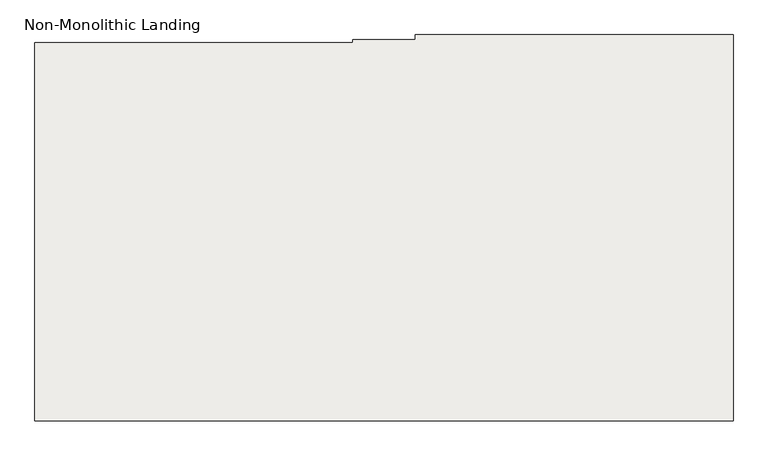
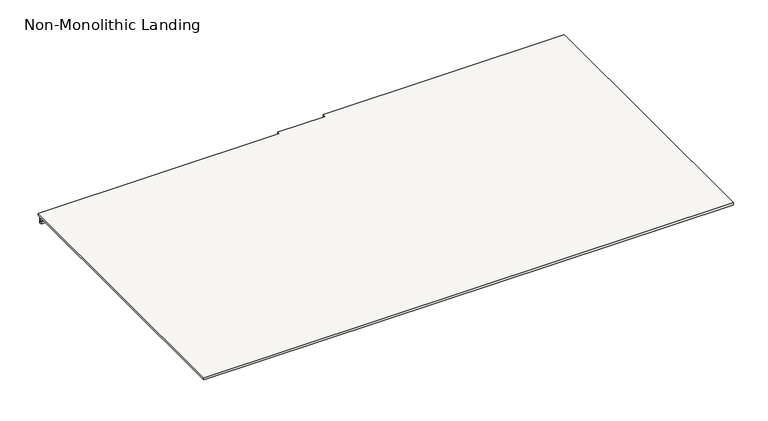
"""IFC4 building model written with IfcOpenShell, lengths in millimetres: slab geometry, Non-Monolithic Landing."""

from ifc_helpers import new_model, si_unit, origin, place, context, project, spatial, faceted_brep, source, transform, mapped, element, save


def non_monolithic_landing_dc050955(model_context):
    return source(origin(), model_context, "Body", "Brep", [
        faceted_brep([(-158.8300828, -294.2346869, 3979.7647059), (-158.8300828, -279.2346869, 3979.7647059), (-1158.8300828, -279.2346869, 3979.7647059), (-1158.8300828, -294.2346869, 3979.7647059), (-1355.3300828, -294.2346869, 3979.7647059), (-1355.3300828, -304.2346869, 3979.7647059), (-2355.3300828, -304.2346869, 3979.7647059), (-2355.3300828, -1494.2346869, 3979.7647059), (-158.8300828, -1494.2346869, 3979.7647059), (-158.8300828, -279.2346869, 3969.7647059), (-158.8300828, -294.2346869, 3969.7647059), (-158.8300828, -1494.2346869, 3969.7647059), (-2355.3300828, -1494.2346869, 3969.7647059), (-2355.3300828, -317.5290413, 3969.7647059), (-1355.3300828, -317.5290413, 3969.7647059), (-1355.3300828, -314.2346869, 3969.7647059), (-2355.3300828, -314.2346869, 3969.7647059), (-2355.3300828, -304.2346869, 3969.7647059), (-1355.3300828, -304.2346869, 3969.7647059), (-1355.3300828, -294.2346869, 3969.7647059), (-1158.8300828, -294.2346869, 3969.7647059), (-1158.8300828, -279.2346869, 3969.7647059), (-2355.3300828, -314.2346869, 3943.8840866), (-2355.3300828, -323.429009, 3943.8840866), (-2355.3300828, -323.429009, 3953.1427353), (-2355.3300828, -317.5290413, 3953.1297322), (-1355.3300828, -323.429009, 3943.8840866), (-1355.3300828, -314.2346869, 3943.8840866), (-1355.3300828, -317.5290413, 3953.1297322), (-1355.3300828, -323.429009, 3953.1427353)], [[[0, 1, 2, 3, 4, 5, 6, 7, 8]], [[9, 10, 11, 12, 13, 14, 15, 16, 17, 18, 19, 20, 21]], [[6, 17, 16, 22, 23, 24, 25, 13, 12, 7]], [[8, 7, 12, 11]], [[0, 8, 11, 10]], [[4, 3, 20, 19]], [[2, 1, 9, 21]], [[1, 0, 10, 9]], [[3, 2, 21, 20]], [[6, 5, 18, 17]], [[26, 27, 15, 14, 28, 29]], [[27, 22, 16, 15]], [[23, 22, 27, 26]], [[24, 23, 26, 29]], [[25, 24, 29, 28]], [[25, 28, 14, 13]], [[5, 4, 19, 18]]]),
    ])


if __name__ == "__main__":
    model = new_model("IFC4")
    model_context = context("Model", 3, world=origin())
    ifc_project = project(units=[si_unit("LENGTHUNIT", "METRE", prefix="MILLI")], contexts=[model_context])
    site = spatial("IfcSite", under=ifc_project)
    building = spatial("IfcBuilding", under=site)
    placement = place(None, origin())
    non_monolithic_landing_shape = non_monolithic_landing_dc050955(model_context)
    element("IfcSlab", 1, ObjectType="Non-Monolithic Landing", at=placement, inside=building, context=model_context, shape_type="MappedRepresentation", body=[
        mapped(non_monolithic_landing_shape, transform((0.0, 0.0, 0.0), x_axis=(1.0, 0.0, 0.0), y_axis=(0.0, 1.0, 0.0), z_axis=(0.0, 0.0, 1.0))),
    ])
    save(model, "model.ifc")
